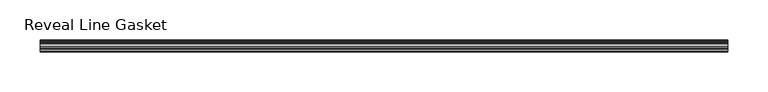
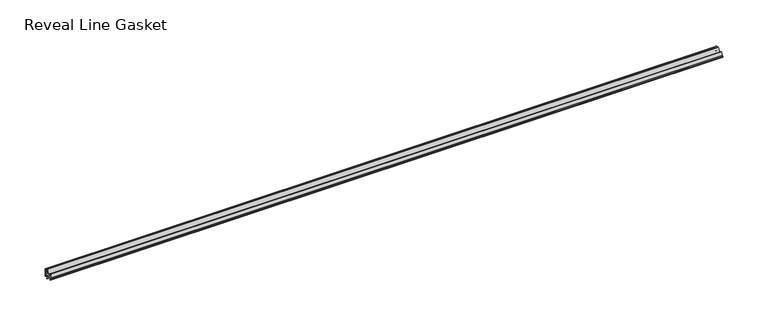
"""IFC4 building model written with IfcOpenShell, lengths in millimetres: furniture geometry, Reveal Line Gasket."""

from ifc_helpers import new_model, si_unit, point, frame, frame_2d, origin, place, context, project, spatial, polyline, circle_curve, trimmed, segment, composite_curve, outline, extrude, source, transform, mapped, element, save


def reveal_line_gasket_4eab078e(model_context):
    return source(origin(), model_context, "Body", "SweptSolid", [
        extrude(outline(composite_curve([segment(polyline([(7.6326998, 1603.2), (7.6326998, 1597.2), (7.4091917, 1596.2445073), (6.8813059, 1595.3115316)]), True, "CONTINUOUS"), segment(trimmed(circle_curve(frame_2d((6.5243141, 1595.5135207)), 0.4101739), [point((6.8813059, 1595.3115316))], [point((6.1246704, 1595.6058653))], False, "CARTESIAN"), True, "CONTINUOUS"), segment(polyline([(6.1246704, 1595.6058653), (6.3626997, 1597.3020914), (6.3626997, 1599.3345473)]), True, "CONTINUOUS"), segment(trimmed(circle_curve(frame_2d((5.6959605, 1598.9180742)), 0.786124), [point((6.3626997, 1599.3345473))], [point((5.0926996, 1599.422125))], True, "CARTESIAN"), True, "CONTINUOUS"), segment(polyline([(5.0926996, 1599.422125), (0.7492996, 1599.422125), (3.7293824, 1594.2604705)]), True, "CONTINUOUS"), segment(trimmed(circle_curve(frame_2d((3.3132479, 1594.1950239)), 0.4212495), [point((3.7293824, 1594.2604705))], [point((3.0485022, 1593.8673642))], False, "CARTESIAN"), True, "CONTINUOUS"), segment(polyline([(3.0485022, 1593.8673642), (-0.5742594, 1599.422125), (-4.8262978, 1599.422125), (-3.1660374, 1596.5464703)]), True, "CONTINUOUS"), segment(trimmed(circle_curve(frame_2d((-3.5978728, 1596.4881145)), 0.4357605), [point((-3.1660374, 1596.5464703))], [point((-3.864328, 1596.1433119))], False, "CARTESIAN"), True, "CONTINUOUS"), segment(polyline([(-3.864328, 1596.1433119), (-6.1944059, 1599.422125), (-7.6326998, 1599.422125), (-7.6326998, 1600.977875), (-6.1944059, 1600.977875), (-3.864328, 1604.2566881)]), True, "CONTINUOUS"), segment(trimmed(circle_curve(frame_2d((-3.5978728, 1603.9118855)), 0.4357605), [point((-3.864328, 1604.2566881))], [point((-3.1660374, 1603.8535297))], False, "CARTESIAN"), True, "CONTINUOUS"), segment(polyline([(-3.1660374, 1603.8535297), (-4.8262978, 1600.977875), (-0.5742594, 1600.977875), (3.0485022, 1606.5326358)]), True, "CONTINUOUS"), segment(trimmed(circle_curve(frame_2d((3.3132479, 1606.2049761)), 0.4212495), [point((3.0485022, 1606.5326358))], [point((3.7293824, 1606.1395295))], False, "CARTESIAN"), True, "CONTINUOUS"), segment(polyline([(3.7293824, 1606.1395295), (0.7492996, 1600.977875), (5.0926996, 1600.977875)]), True, "CONTINUOUS"), segment(trimmed(circle_curve(frame_2d((5.6959605, 1601.4819258)), 0.786124), [point((5.0926996, 1600.977875))], [point((6.3626997, 1601.0654527))], True, "CARTESIAN"), True, "CONTINUOUS"), segment(polyline([(6.3626997, 1601.0654527), (6.3626997, 1603.0979086), (6.1246704, 1604.7941347)]), True, "CONTINUOUS"), segment(trimmed(circle_curve(frame_2d((6.5243141, 1604.8864793)), 0.4101739), [point((6.1246704, 1604.7941347))], [point((6.8813059, 1605.0884684))], False, "CARTESIAN"), True, "CONTINUOUS"), segment(polyline([(6.8813059, 1605.0884684), (7.4091917, 1604.1554927), (7.6326998, 1603.2)]), True, "CONTINUOUS")], self_intersect=False)), frame((-429.9204, 0.0, 0.0), z_axis=(1.0, 0.0, 0.0), x_axis=(0.0, 1.0, 0.0)), (0.0, 0.0, 1.0), 859.8408),
    ])


if __name__ == "__main__":
    model = new_model("IFC4")
    model_context = context("Model", 3, world=origin())
    ifc_project = project(units=[si_unit("LENGTHUNIT", "METRE", prefix="MILLI")], contexts=[model_context])
    site = spatial("IfcSite", under=ifc_project)
    building = spatial("IfcBuilding", under=site)
    placement = place(None, origin())
    reveal_line_gasket_shape = reveal_line_gasket_4eab078e(model_context)
    element("IfcFurniture", 1, ObjectType="Reveal Line Gasket", at=placement, inside=building, context=model_context, shape_type="MappedRepresentation", body=[
        mapped(reveal_line_gasket_shape, transform((0.0, 0.0, 0.0), x_axis=(1.0, 0.0, 0.0), y_axis=(0.0, 1.0, 0.0), z_axis=(0.0, 0.0, 1.0))),
    ])
    save(model, "model.ifc")
